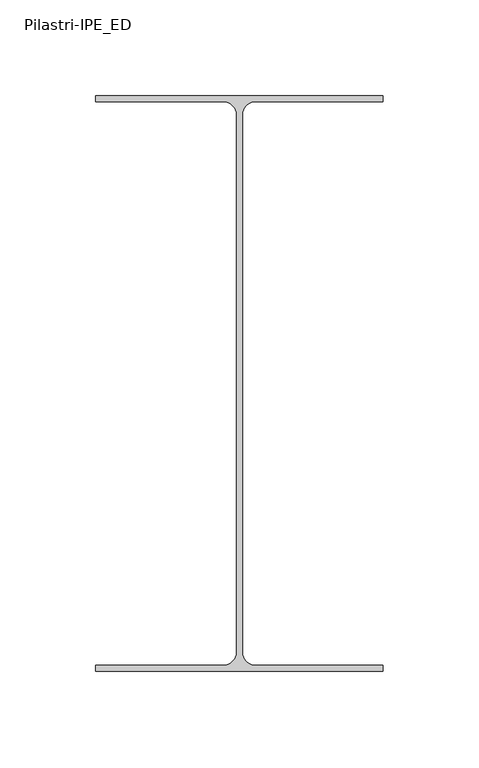
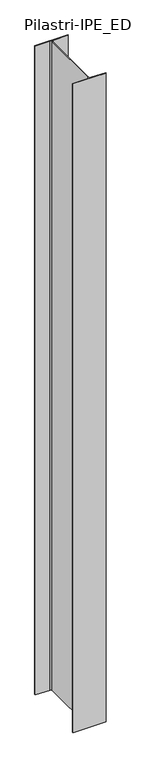
"""IFC4 building model written with IfcOpenShell, lengths in millimetres: column geometry, Pilastri-IPE_ED."""

from ifc_helpers import new_model, si_unit, point, frame_2d, origin, origin_with_axes, place, context, project, spatial, polyline, circle_curve, trimmed, segment, composite_curve, outline, extrude, source, transform, mapped, element, save


def pilastri_ipe_ed_8b8c6aec(model_context):
    return source(origin(), model_context, "Body", "SweptSolid", [
        extrude(outline(composite_curve([segment(polyline([(75.0, 150.0), (75.0, 147.0), (8.5, 147.0)]), True, "CONTINUOUS"), segment(trimmed(circle_curve(frame_2d((8.5, 140.0)), 7.0), [point((8.5, 147.0))], [point((1.5, 140.0))], True, "CARTESIAN"), True, "CONTINUOUS"), segment(polyline([(1.5, 140.0), (1.5, -140.0)]), True, "CONTINUOUS"), segment(trimmed(circle_curve(frame_2d((8.5, -140.0)), 7.0), [point((1.5, -140.0))], [point((8.5, -147.0))], True, "CARTESIAN"), True, "CONTINUOUS"), segment(polyline([(8.5, -147.0), (75.0, -147.0), (75.0, -150.0), (-75.0, -150.0), (-75.0, -147.0), (-8.5, -147.0)]), True, "CONTINUOUS"), segment(trimmed(circle_curve(frame_2d((-8.5, -140.0)), 7.0), [point((-8.5, -147.0))], [point((-1.5, -140.0))], True, "CARTESIAN"), True, "CONTINUOUS"), segment(polyline([(-1.5, -140.0), (-1.5, 140.0)]), True, "CONTINUOUS"), segment(trimmed(circle_curve(frame_2d((-8.5, 140.0)), 7.0), [point((-1.5, 140.0))], [point((-8.5, 147.0))], True, "CARTESIAN"), True, "CONTINUOUS"), segment(polyline([(-8.5, 147.0), (-75.0, 147.0), (-75.0, 150.0), (75.0, 150.0)]), True, "CONTINUOUS")], self_intersect=False)), origin_with_axes(), (0.0, 0.0, 1.0), 3100.0),
    ])


if __name__ == "__main__":
    model = new_model("IFC4")
    model_context = context("Model", 3, world=origin())
    ifc_project = project(units=[si_unit("LENGTHUNIT", "METRE", prefix="MILLI")], contexts=[model_context])
    site = spatial("IfcSite", under=ifc_project)
    building = spatial("IfcBuilding", under=site)
    placement = place(None, origin())
    pilastri_ipe_ed_shape = pilastri_ipe_ed_8b8c6aec(model_context)
    element("IfcColumn", 1, ObjectType="Pilastri-IPE_ED", at=placement, inside=building, context=model_context, shape_type="MappedRepresentation", body=[
        mapped(pilastri_ipe_ed_shape, transform((0.0, 0.0, 0.0), x_axis=(1.0, 0.0, 0.0), y_axis=(0.0, 1.0, 0.0), z_axis=(0.0, 0.0, 1.0))),
    ])
    save(model, "model.ifc")
